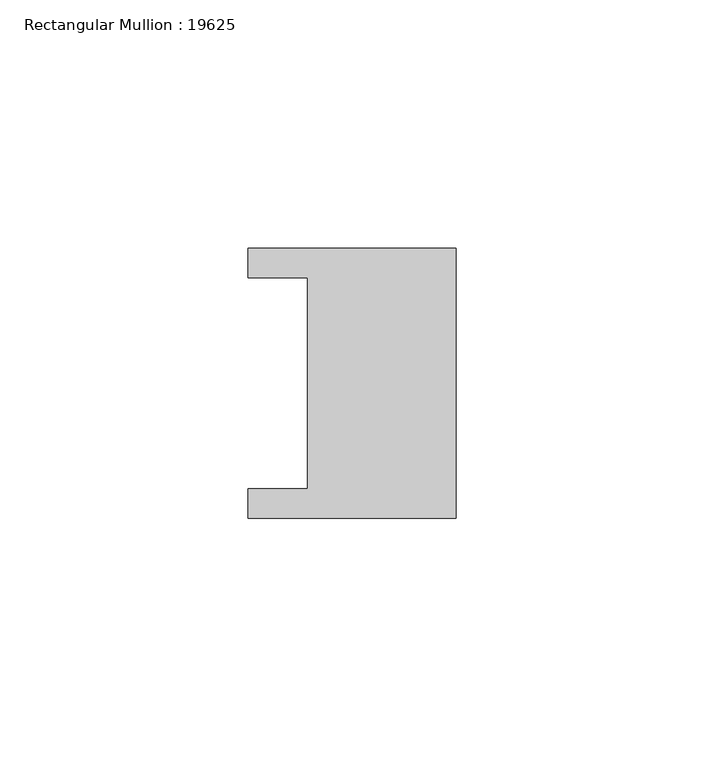
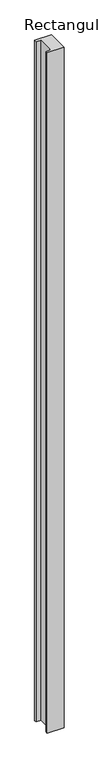
"""IFC4 building model written with IfcOpenShell, lengths in millimetres: member geometry, Rectangular Mullion : 19625."""

import ifcopenshell
import ifcopenshell.guid

model = None  # the IFC model being written
_history = None  # IfcOwnerHistory: only IFC2X3 demands one
_inside = {}  # id of a spatial element -> (the spatial element, [elements in it])
_under = {}  # id of a project, library or spatial element -> (it, [spatial elements below it])
_declared = {}  # id of a project -> (the project, [libraries it declares])
_typed = {}  # id of a type object -> (the type object, [elements of that type])
_made_of = {}  # id of a material, layer set ... -> (it, [elements and type objects made of it])


def new_model(schema):
    """Start an empty IFC model of exactly this schema.

    Asked for "IFC4X3", IfcOpenShell would pick the latest addendum, in which some entities
    have other attributes; the version numbers below select the first issue.
    IFC2X3 requires an IfcOwnerHistory on every rooted entity: one is made here for all.
    """
    global model, _history
    if schema == "IFC4X3":
        model = ifcopenshell.file(schema_version=(4, 3, 0, 0))
    else:
        model = ifcopenshell.file(schema=schema)
    _inside.clear()
    _under.clear()
    _declared.clear()
    _typed.clear()
    _made_of.clear()
    _history = None
    if model.schema == "IFC2X3":
        org = make("IfcOrganization", Name="unknown")
        user = make(
            "IfcPersonAndOrganization",
            ThePerson=make("IfcPerson", FamilyName="unknown"),
            TheOrganization=org,
        )
        app = make(
            "IfcApplication",
            ApplicationDeveloper=org,
            Version="unknown",
            ApplicationFullName="unknown",
            ApplicationIdentifier="unknown",
        )
        _history = make(
            "IfcOwnerHistory",
            OwningUser=user,
            OwningApplication=app,
            ChangeAction="ADDED",
            CreationDate=0,
        )
    return model


def make(cls, **values):
    """One entity of the class cls with the attributes given. An attribute that is None is left unset."""
    return model.create_entity(
        cls, **{name: value for name, value in values.items() if value is not None}
    )


def rooted(cls, **values):
    """An entity with a GlobalId (a new one), such as an element, a storey or a relation."""
    return make(cls, GlobalId=ifcopenshell.guid.new(), OwnerHistory=_history, **values)


def si_unit(unit_type, name, prefix=None):
    """IfcSIUnit, for example si_unit("LENGTHUNIT", "METRE", prefix="MILLI")."""
    return make("IfcSIUnit", UnitType=unit_type, Prefix=prefix, Name=name)


def assignment(units):
    """IfcUnitAssignment: the units of a project."""
    return None if units is None else make("IfcUnitAssignment", Units=units)


def point(xyz):
    """IfcCartesianPoint."""
    return None if xyz is None else make("IfcCartesianPoint", Coordinates=xyz)


def direction(xyz):
    """IfcDirection."""
    return None if xyz is None else make("IfcDirection", DirectionRatios=xyz)


def frame(location, z_axis=None, x_axis=None):
    """IfcAxis2Placement3D, a coordinate frame: its origin and axes. An axis left out is left unset."""
    return make(
        "IfcAxis2Placement3D",
        Location=point(location),
        Axis=direction(z_axis),
        RefDirection=direction(x_axis),
    )


def origin():
    """The frame at (0, 0, 0) with its axes left unset."""
    return frame((0.0, 0.0, 0.0))


def place(relative_to, where):
    """IfcLocalPlacement: puts the frame where relative to a parent placement (None: the world)."""
    return make(
        "IfcLocalPlacement", PlacementRelTo=relative_to, RelativePlacement=where
    )


def context(
    kind, dimensions, precision=None, world=None, true_north=None, identifier=None
):
    """IfcGeometricRepresentationContext, for example the 3D "Model" context."""
    return make(
        "IfcGeometricRepresentationContext",
        ContextIdentifier=identifier,
        ContextType=kind,
        CoordinateSpaceDimension=dimensions,
        Precision=precision,
        WorldCoordinateSystem=world,
        TrueNorth=true_north,
    )


def project(units=None, contexts=None):
    """IfcProject with its units and contexts."""
    return rooted(
        "IfcProject",
        Name="project",
        RepresentationContexts=contexts,
        UnitsInContext=assignment(units),
    )


def spatial(cls, under=None, at=None, **own):
    """A site, building, storey or space (cls), placed at a placement, below another one or the project."""
    s = rooted(cls, ObjectPlacement=at, **own)
    if under is not None:
        _under.setdefault(under.id(), (under, []))[1].append(s)
    return s


def polyline(points):
    """IfcPolyline through the points."""
    return make("IfcPolyline", Points=[point(p) for p in points])


def outline(outer, holes=None, kind="AREA"):
    """IfcArbitraryClosedProfileDef: a profile drawn as a closed curve; with holes, ...WithVoids."""
    if holes is None:
        return make("IfcArbitraryClosedProfileDef", ProfileType=kind, OuterCurve=outer)
    return make(
        "IfcArbitraryProfileDefWithVoids",
        ProfileType=kind,
        OuterCurve=outer,
        InnerCurves=holes,
    )


def extrude(swept, where, along, depth):
    """IfcExtrudedAreaSolid: the profile swept, set in the frame where, extruded along a direction by depth."""
    return make(
        "IfcExtrudedAreaSolid",
        SweptArea=swept,
        Position=where,
        ExtrudedDirection=direction(along),
        Depth=depth,
    )


def shape(context_of_items, identifier, shape_type, items):
    """IfcShapeRepresentation: the items that make up one representation, for example the "Body"."""
    return make(
        "IfcShapeRepresentation",
        ContextOfItems=context_of_items,
        RepresentationIdentifier=identifier,
        RepresentationType=shape_type,
        Items=items,
    )


def source(mapping_origin, context_of_items, identifier, shape_type, items):
    """IfcRepresentationMap: a shape defined once, which mapped items show again and again."""
    return make(
        "IfcRepresentationMap",
        MappingOrigin=mapping_origin,
        MappedRepresentation=shape(context_of_items, identifier, shape_type, items),
    )


def transform(
    local_origin,
    x_axis=None,
    y_axis=None,
    z_axis=None,
    scale=None,
    scale2=None,
    scale3=None,
    uniform=True,
):
    """IfcCartesianTransformationOperator3D, or its non-uniform kind. x_axis, y_axis, z_axis: its Axis1, 2, 3."""
    if uniform:
        return make(
            "IfcCartesianTransformationOperator3D",
            Axis1=direction(x_axis),
            Axis2=direction(y_axis),
            LocalOrigin=point(local_origin),
            Scale=scale,
            Axis3=direction(z_axis),
        )
    return make(
        "IfcCartesianTransformationOperator3DnonUniform",
        Axis1=direction(x_axis),
        Axis2=direction(y_axis),
        LocalOrigin=point(local_origin),
        Scale=scale,
        Axis3=direction(z_axis),
        Scale2=scale2,
        Scale3=scale3,
    )


def mapped(mapping_source, mapping_target):
    """IfcMappedItem: shows the shape of a source again, moved by a transform."""
    return make(
        "IfcMappedItem", MappingSource=mapping_source, MappingTarget=mapping_target
    )


def made_of(thing, what):
    """Note that an element or type object is made of a material, layer set ...; save() writes the relation."""
    if what is not None:
        _made_of.setdefault(what.id(), (what, []))[1].append(thing)
    return thing


def element(
    cls,
    number,
    at=None,
    inside=None,
    cuts=None,
    type_object=None,
    material=None,
    context=None,
    identifier="Body",
    shape_type=None,
    held_by="IfcProductDefinitionShape",
    body=None,
    shapes=None,
    **own,
):
    """One element of the class cls, such as IfcWall. Its Tag is "e" and its number.

    at: its placement. inside: the storey or other place that contains it. cuts: it is an
    opening in that element (IfcRelVoidsElement). A single representation is given by context,
    identifier, shape_type and body (its items); several are given by shapes. held_by: the class
    of the entity that holds the representations. save() writes the other relations.
    """
    e = rooted(cls, Tag="e%d" % number, ObjectPlacement=at, **own)
    if body is not None:
        shapes = [shape(context, identifier, shape_type, body)]
    if shapes is not None:
        e.Representation = make(held_by, Representations=shapes)
    if inside is not None:
        _inside.setdefault(inside.id(), (inside, []))[1].append(e)
    if cuts is not None:
        rooted(
            "IfcRelVoidsElement", RelatingBuildingElement=cuts, RelatedOpeningElement=e
        )
    if type_object is not None:
        _typed.setdefault(type_object.id(), (type_object, []))[1].append(e)
    return made_of(e, material)


def aggregate(whole, parts):
    """IfcRelAggregates: a whole, such as a stair, and the parts it consists of."""
    return rooted("IfcRelAggregates", RelatingObject=whole, RelatedObjects=parts)


def save(model, path):
    """Write the relations noted so far, then the file.

    IfcRelAggregates (storeys below a building ...), IfcRelContainedInSpatialStructure (elements
    in a storey), IfcRelDefinesByType, IfcRelAssociatesMaterial and IfcRelDeclares: one each for
    every whole, place, type object, material and project.
    """
    for whole, parts in _under.values():
        aggregate(whole, parts)
    for where, things in _inside.values():
        rooted(
            "IfcRelContainedInSpatialStructure",
            RelatedElements=things,
            RelatingStructure=where,
        )
    for kind, things in _typed.values():
        rooted("IfcRelDefinesByType", RelatedObjects=things, RelatingType=kind)
    for what, things in _made_of.values():
        rooted("IfcRelAssociatesMaterial", RelatedObjects=things, RelatingMaterial=what)
    for by, libraries in _declared.values():
        rooted("IfcRelDeclares", RelatingContext=by, RelatedDefinitions=libraries)
    model.write(path)


def rectangular_mullion_19625_1744cbdc(model_context):
    return source(origin(), model_context, "Body", "SweptSolid", [
        extrude(outline(polyline([(0.0, 27.25), (0.0, -27.25), (-42.0, -27.25), (-42.0, -21.25), (-30.0, -21.25), (-30.0, 21.25), (-42.0, 21.25), (-42.0, 27.25), (0.0, 27.25)])), frame((0.0, 0.0, -1800.0), z_axis=(0.0, 0.0, 1.0), x_axis=(1.0, 0.0, 0.0)), (0.0, 0.0, 1.0), 1800.0),
    ])


if __name__ == "__main__":
    model = new_model("IFC4")
    model_context = context("Model", 3, world=origin())
    ifc_project = project(units=[si_unit("LENGTHUNIT", "METRE", prefix="MILLI")], contexts=[model_context])
    site = spatial("IfcSite", under=ifc_project)
    building = spatial("IfcBuilding", under=site)
    placement = place(None, origin())
    rectangular_mullion_19625_shape = rectangular_mullion_19625_1744cbdc(model_context)
    element("IfcMember", 1, ObjectType="Rectangular Mullion : 19625", at=placement, inside=building, context=model_context, shape_type="MappedRepresentation", body=[
        mapped(rectangular_mullion_19625_shape, transform((0.0, 0.0, 0.0), x_axis=(1.0, 0.0, 0.0), y_axis=(0.0, 1.0, 0.0), z_axis=(0.0, 0.0, 1.0))),
    ])
    save(model, "model.ifc")
